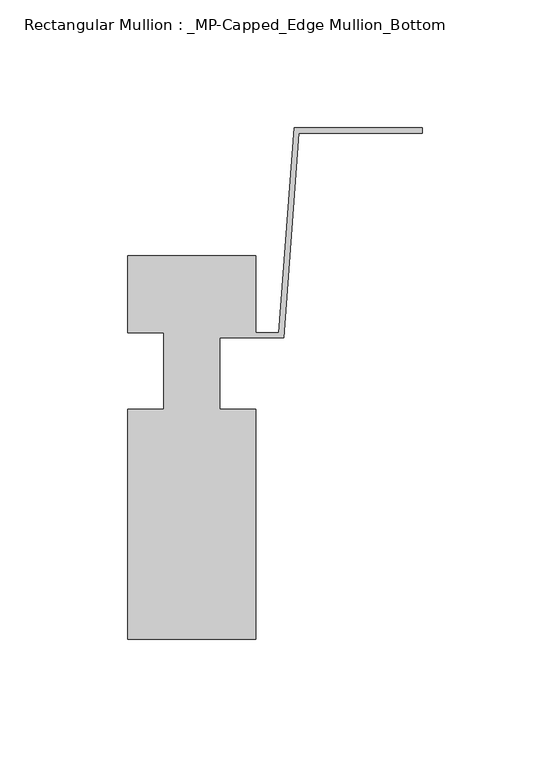
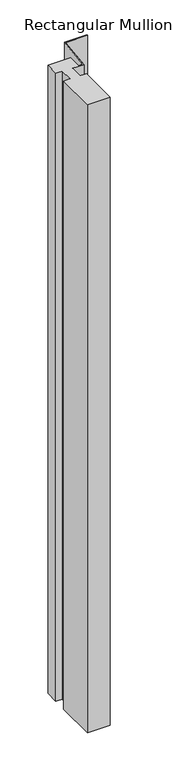
"""IFC4 building model written with IfcOpenShell, lengths in millimetres: member geometry, Rectangular Mullion : _MP-Capped_Edge Mullion_Bottom."""

from ifc_helpers import new_model, si_unit, frame, origin, place, context, project, spatial, polyline, outline, extrude, source, transform, mapped, element, save


def rectangular_mullion_mp_capped_edge_mullion_bottom_dd8d868f(model_context):
    return source(origin(), model_context, "Body", "SweptSolid", [
        extrude(outline(polyline([(-65.0, 0.0), (-65.0, -30.0), (-56.0, -30.0), (-50.0, 50.0), (0.0, 50.0), (0.0, 48.0), (-48.1443829, 48.0), (-54.1443829, -32.0), (-79.0, -32.0), (-79.0, -60.0), (-65.0, -60.0), (-65.0, -150.0), (-115.0, -150.0), (-115.0, -60.0), (-101.0, -60.0), (-101.0, -30.0), (-115.0, -30.0), (-115.0, 0.0), (-65.0, 0.0)])), frame((0.0, 0.0, -1455.0), z_axis=(0.0, 0.0, 1.0), x_axis=(1.0, 0.0, 0.0)), (0.0, 0.0, 1.0), 1455.0),
    ])


if __name__ == "__main__":
    model = new_model("IFC4")
    model_context = context("Model", 3, world=origin())
    ifc_project = project(units=[si_unit("LENGTHUNIT", "METRE", prefix="MILLI")], contexts=[model_context])
    site = spatial("IfcSite", under=ifc_project)
    building = spatial("IfcBuilding", under=site)
    placement = place(None, origin())
    rectangular_mullion_mp_capped_edge_mullion_bottom_shape = rectangular_mullion_mp_capped_edge_mullion_bottom_dd8d868f(model_context)
    element("IfcMember", 1, ObjectType="Rectangular Mullion : _MP-Capped_Edge Mullion_Bottom", at=placement, inside=building, context=model_context, shape_type="MappedRepresentation", body=[
        mapped(rectangular_mullion_mp_capped_edge_mullion_bottom_shape, transform((0.0, 0.0, 0.0), x_axis=(1.0, 0.0, 0.0), y_axis=(0.0, 1.0, 0.0), z_axis=(0.0, 0.0, 1.0))),
    ])
    save(model, "model.ifc")
